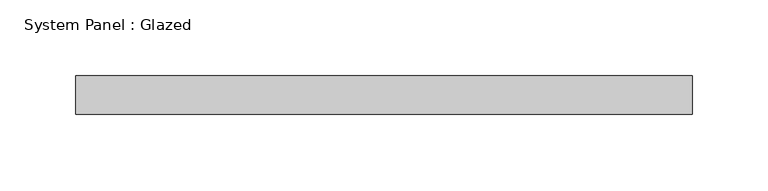
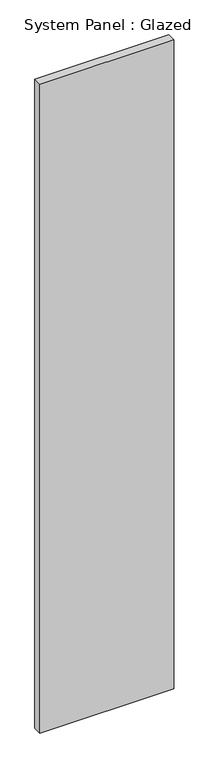
"""IFC4 building model written with IfcOpenShell, lengths in millimetres: plate geometry, System Panel : Glazed."""

from ifc_helpers import new_model, si_unit, origin, origin_with_axes, place, context, project, spatial, polyline, outline, extrude, source, transform, mapped, element, save


def system_panel_glazed_10fde8cf(model_context):
    return source(origin(), model_context, "Body", "SweptSolid", [
        extrude(outline(polyline([(203.2, -12.7), (-203.2, -12.7), (-203.2, 12.7), (203.2, 12.7), (203.2, -12.7)])), origin_with_axes(), (0.0, 0.0, 1.0), 2082.8),
    ])


if __name__ == "__main__":
    model = new_model("IFC4")
    model_context = context("Model", 3, world=origin())
    ifc_project = project(units=[si_unit("LENGTHUNIT", "METRE", prefix="MILLI")], contexts=[model_context])
    site = spatial("IfcSite", under=ifc_project)
    building = spatial("IfcBuilding", under=site)
    placement = place(None, origin())
    system_panel_glazed_shape = system_panel_glazed_10fde8cf(model_context)
    element("IfcPlate", 1, ObjectType="System Panel : Glazed", at=placement, inside=building, context=model_context, shape_type="MappedRepresentation", body=[
        mapped(system_panel_glazed_shape, transform((0.0, 0.0, 0.0), x_axis=(1.0, 0.0, 0.0), y_axis=(0.0, 1.0, 0.0), z_axis=(0.0, 0.0, 1.0))),
    ])
    save(model, "model.ifc")
